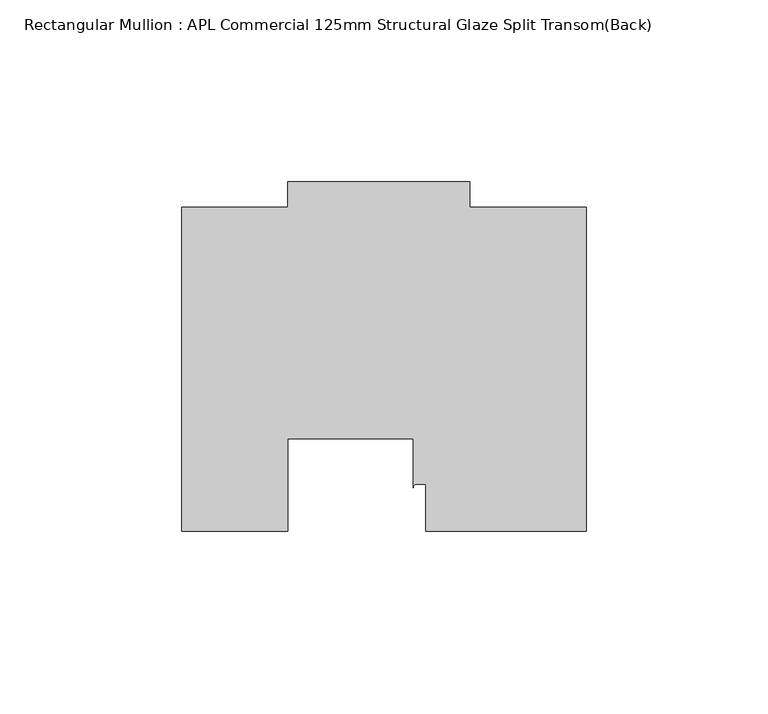
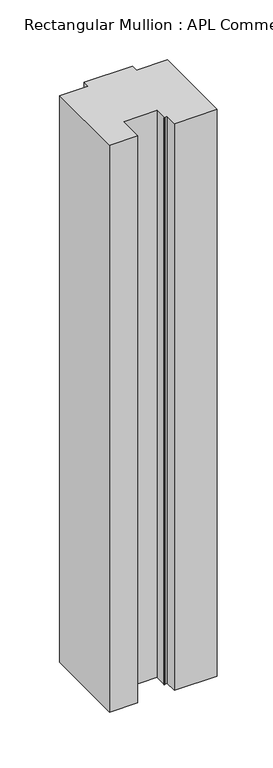
"""IFC4 building model written with IfcOpenShell, lengths in millimetres: member geometry, Rectangular Mullion : APL Commercial 125mm Structural Glaze Split Transom(Back)."""

from ifc_helpers import new_model, si_unit, point, frame, frame_2d, origin, place, context, project, spatial, polyline, circle_curve, trimmed, segment, composite_curve, outline, extrude, source, transform, mapped, element, save


def rectangular_mullion_apl_commercial_125mm_structural_glaze_8ecb731d(model_context):
    return source(origin(), model_context, "Body", "SweptSolid", [
        extrude(outline(composite_curve([segment(polyline([(54.0000029, 15.0004617), (10.0000029, 15.0004617), (10.0000029, 28.0002131), (7.5000029, 28.0002131)]), True, "CONTINUOUS"), segment(trimmed(circle_curve(frame_2d((7.5000029, 27.0002131)), 1.0), [point((7.5000029, 28.0002131))], [point((6.5000029, 27.0002131))], True, "CARTESIAN"), True, "CONTINUOUS"), segment(polyline([(6.5000029, 27.0002131), (6.5000029, 40.499932), (-28.0000482, 40.499932), (-28.0000482, 15.0001793), (-57.0000004, 15.0001793), (-57.0000004, 103.9999439), (-27.9971154, 103.9999439), (-27.9971154, 111.0), (22.0028846, 111.0), (22.0028846, 104.0), (54.0000029, 104.0), (54.0000029, 15.0004617)]), True, "CONTINUOUS")], self_intersect=False)), frame((0.0, 0.0, -617.9999782), z_axis=(0.0, 0.0, 1.0), x_axis=(1.0, 0.0, 0.0)), (0.0, 0.0, 1.0), 617.9999782),
    ])


if __name__ == "__main__":
    model = new_model("IFC4")
    model_context = context("Model", 3, world=origin())
    ifc_project = project(units=[si_unit("LENGTHUNIT", "METRE", prefix="MILLI")], contexts=[model_context])
    site = spatial("IfcSite", under=ifc_project)
    building = spatial("IfcBuilding", under=site)
    placement = place(None, origin())
    rectangular_mullion_apl_commercial_125mm_structural_glaze_shape = rectangular_mullion_apl_commercial_125mm_structural_glaze_8ecb731d(model_context)
    element("IfcMember", 1, ObjectType="Rectangular Mullion : APL Commercial 125mm Structural Glaze Split Transom(Back)", at=placement, inside=building, context=model_context, shape_type="MappedRepresentation", body=[
        mapped(rectangular_mullion_apl_commercial_125mm_structural_glaze_shape, transform((0.0, 0.0, 0.0), x_axis=(1.0, 0.0, 0.0), y_axis=(0.0, 1.0, 0.0), z_axis=(0.0, 0.0, 1.0))),
    ])
    save(model, "model.ifc")
